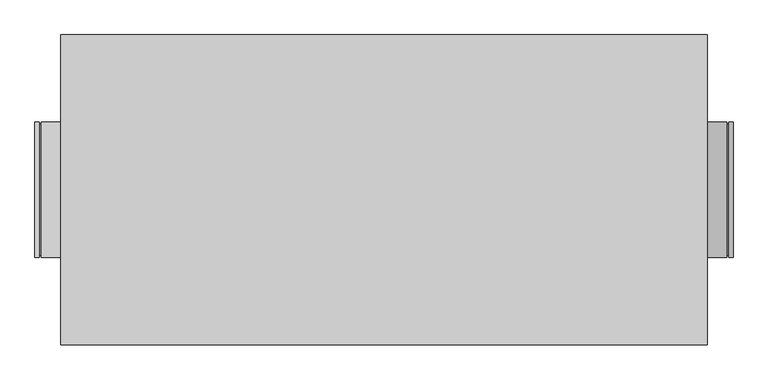
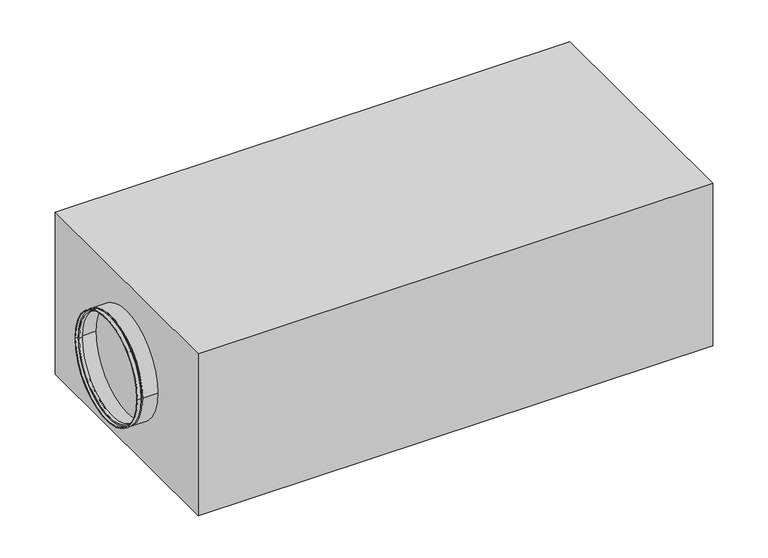
"""IFC4 building model written with IfcOpenShell, lengths in millimetres: proxy geometry."""

from ifc_helpers import new_model, si_unit, frame, origin, origin_with_axes, place, context, project, spatial, polyline, circle_curve, outline, extrude, source, transform, mapped, element, save
from ifc_brep_helpers import plane_surface, cylinder_surface, revolved_surface, advanced_brep


def mechanical_equipment_3687b585(model_context):
    return source(origin(), model_context, "Body", "SolidModel", [
        advanced_brep(
        [(-800.0, 157.5, 256.0), (-800.0, -157.5, 256.0), (-810.0, -157.5, 256.0), (-810.0, 157.5, 256.0), (-800.0, 152.5, 256.0), (-800.0, -152.5, 256.0), (-795.0, 152.5, 256.0), (-795.0, -152.5, 256.0), (-795.0, 157.5, 256.0), (-795.0, -157.5, 256.0), (-750.0, 157.5, 256.0), (-750.0, -157.5, 256.0), (-750.0, 155.5, 256.0), (-750.0, -155.5, 256.0), (-793.0, 155.5, 256.0), (-793.0, -155.5, 256.0), (-793.0, 150.5, 256.0), (-793.0, -150.5, 256.0), (-802.0, 150.5, 256.0), (-802.0, -150.5, 256.0), (-802.0, 155.5, 256.0), (-802.0, -155.5, 256.0), (-810.0, 155.5, 256.0), (-810.0, -155.5, 256.0)],
        [
            (0, 1, circle_curve(frame((-800.0, 0.0, 256.0), z_axis=(-1.0, 0.0, 0.0), x_axis=(0.0, -1.0000000000000009, 0.0)), 157.5)),
            (1, 2),
            (2, 3, circle_curve(frame((-810.0, 0.0, 256.0), z_axis=(1.0, 0.0, 0.0), x_axis=(0.0, -1.0000000000000009, 0.0)), 157.5)),
            (3, 0),
            (1, 0, circle_curve(frame((-800.0, 0.0, 256.0), z_axis=(-1.0, 0.0, 0.0), x_axis=(0.0, -1.0000000000000009, 0.0)), 157.5)),
            (3, 2, circle_curve(frame((-810.0, 0.0, 256.0), z_axis=(1.0, 0.0, 0.0), x_axis=(0.0, -1.0000000000000009, 0.0)), 157.5)),
            (4, 5, circle_curve(frame((-800.0, 0.0, 256.0), z_axis=(-1.0, 0.0, 0.0), x_axis=(0.0, -1.0000000000000009, 0.0)), 152.5)),
            (5, 1),
            (0, 4),
            (5, 4, circle_curve(frame((-800.0, 0.0, 256.0), z_axis=(-1.0, 0.0, 0.0), x_axis=(0.0, -1.0000000000000009, 0.0)), 152.5)),
            (6, 7, circle_curve(frame((-795.0, 0.0, 256.0), z_axis=(-1.0, 0.0, 0.0), x_axis=(0.0, -1.0000000000000009, 0.0)), 152.5)),
            (7, 5),
            (4, 6),
            (7, 6, circle_curve(frame((-795.0, 0.0, 256.0), z_axis=(-1.0, 0.0, 0.0), x_axis=(0.0, -1.0000000000000009, 0.0)), 152.5)),
            (8, 9, circle_curve(frame((-795.0, 0.0, 256.0), z_axis=(-1.0, 0.0, 0.0), x_axis=(0.0, -1.0000000000000009, 0.0)), 157.5)),
            (9, 7),
            (6, 8),
            (9, 8, circle_curve(frame((-795.0, 0.0, 256.0), z_axis=(-1.0, 0.0, 0.0), x_axis=(0.0, -1.0000000000000009, 0.0)), 157.5)),
            (10, 11, circle_curve(frame((-750.0, 0.0, 256.0), z_axis=(-1.0, 0.0, 0.0), x_axis=(0.0, -1.0000000000000009, 0.0)), 157.5)),
            (11, 9),
            (8, 10),
            (11, 10, circle_curve(frame((-750.0, 0.0, 256.0), z_axis=(-1.0, 0.0, 0.0), x_axis=(0.0, -1.0000000000000009, 0.0)), 157.5)),
            (12, 13, circle_curve(frame((-750.0, 0.0, 256.0), z_axis=(-1.0, 0.0, 0.0), x_axis=(0.0, -1.0000000000000009, 0.0)), 155.5)),
            (13, 11),
            (10, 12),
            (13, 12, circle_curve(frame((-750.0, 0.0, 256.0), z_axis=(-1.0, 0.0, 0.0), x_axis=(0.0, -1.0000000000000009, 0.0)), 155.5)),
            (14, 15, circle_curve(frame((-793.0, 0.0, 256.0), z_axis=(-1.0, 0.0, 0.0), x_axis=(0.0, -1.0000000000000009, 0.0)), 155.5)),
            (15, 13),
            (12, 14),
            (15, 14, circle_curve(frame((-793.0, 0.0, 256.0), z_axis=(-1.0, 0.0, 0.0), x_axis=(0.0, -1.0000000000000009, 0.0)), 155.5)),
            (16, 17, circle_curve(frame((-793.0, 0.0, 256.0), z_axis=(-1.0, 0.0, 0.0), x_axis=(0.0, -1.0000000000000009, 0.0)), 150.5)),
            (17, 15),
            (14, 16),
            (17, 16, circle_curve(frame((-793.0, 0.0, 256.0), z_axis=(-1.0, 0.0, 0.0), x_axis=(0.0, -1.0000000000000009, 0.0)), 150.5)),
            (18, 19, circle_curve(frame((-802.0, 0.0, 256.0), z_axis=(-1.0, 0.0, 0.0), x_axis=(0.0, -1.0000000000000009, 0.0)), 150.5)),
            (19, 17),
            (16, 18),
            (19, 18, circle_curve(frame((-802.0, 0.0, 256.0), z_axis=(-1.0, 0.0, 0.0), x_axis=(0.0, -1.0000000000000009, 0.0)), 150.5)),
            (20, 21, circle_curve(frame((-802.0, 0.0, 256.0), z_axis=(-1.0, 0.0, 0.0), x_axis=(0.0, -1.0000000000000009, 0.0)), 155.5)),
            (21, 19),
            (18, 20),
            (21, 20, circle_curve(frame((-802.0, 0.0, 256.0), z_axis=(-1.0, 0.0, 0.0), x_axis=(0.0, -1.0000000000000009, 0.0)), 155.5)),
            (22, 23, circle_curve(frame((-810.0, 0.0, 256.0), z_axis=(-1.0, 0.0, 0.0), x_axis=(0.0, -1.0000000000000009, 0.0)), 155.5)),
            (23, 21),
            (20, 22),
            (23, 22, circle_curve(frame((-810.0, 0.0, 256.0), z_axis=(-1.0, 0.0, 0.0), x_axis=(0.0, -1.0000000000000009, 0.0)), 155.5)),
            (2, 23),
            (22, 3),
        ],
        [
            cylinder_surface(frame((-2345.0440172, 0.0, 256.0), z_axis=(1.0000000000000004, 0.0, 0.0), x_axis=(0.0, -1.0000000000000009, 0.0)), 157.5),
            plane_surface(frame((-800.0, 0.0, 256.0), z_axis=(1.0, 0.0, 0.0), x_axis=(0.0, -1.0, 0.0))),
            cylinder_surface(frame((-2345.0440172, 0.0, 256.0), z_axis=(1.0000000000000004, 0.0, 0.0), x_axis=(0.0, -1.0000000000000009, 0.0)), 152.5),
            plane_surface(frame((-795.0, 0.0, 256.0), z_axis=(-1.0, 0.0, 0.0), x_axis=(0.0, -1.0, 0.0))),
            plane_surface(frame((-750.0, 0.0, 256.0), z_axis=(1.0, 0.0, 0.0), x_axis=(0.0, -1.0, 0.0))),
            revolved_surface(polyline([(-749.9999999999986, -155.50000000000014, 256.0), (-792.9999999999986, -155.50000000000014, 256.0)]), (-2345.0440172, 0.0, 256.0), (1.0000000000000004, 0.0, 0.0)),
            plane_surface(frame((-793.0, 0.0, 256.0), z_axis=(1.0, 0.0, 0.0), x_axis=(0.0, -1.0, 0.0))),
            revolved_surface(polyline([(-792.9999999999986, -150.50000000000014, 256.0), (-801.9999999999986, -150.50000000000014, 256.0)]), (-2345.0440172, 0.0, 256.0), (1.0000000000000004, 0.0, 0.0)),
            plane_surface(frame((-802.0, 0.0, 256.0), z_axis=(-1.0, 0.0, 0.0), x_axis=(0.0, -1.0, 0.0))),
            revolved_surface(polyline([(-801.9999999999986, -155.50000000000014, 256.0), (-809.9999999999986, -155.50000000000014, 256.0)]), (-2345.0440172, 0.0, 256.0), (1.0000000000000004, 0.0, 0.0)),
            plane_surface(frame((-810.0, 0.0, 256.0), z_axis=(-1.0, 0.0, 0.0), x_axis=(0.0, -1.0, 0.0))),
        ],
        [
            (0, [[1, 2, 3, 4]]),
            (0, [[5, -4, 6, -2]]),
            (1, [[7, 8, -1, 9]]),
            (1, [[10, -9, -5, -8]]),
            (2, [[11, 12, -7, 13]]),
            (2, [[14, -13, -10, -12]]),
            (3, [[15, 16, -11, 17]]),
            (3, [[18, -17, -14, -16]]),
            (0, [[19, 20, -15, 21]]),
            (0, [[22, -21, -18, -20]]),
            (4, [[23, 24, -19, 25]]),
            (4, [[26, -25, -22, -24]]),
            (5, [[27, 28, -23, 29]]),
            (5, [[30, -29, -26, -28]]),
            (6, [[31, 32, -27, 33]]),
            (6, [[34, -33, -30, -32]]),
            (7, [[35, 36, -31, 37]]),
            (7, [[38, -37, -34, -36]]),
            (8, [[39, 40, -35, 41]]),
            (8, [[42, -41, -38, -40]]),
            (9, [[43, 44, -39, 45]]),
            (9, [[46, -45, -42, -44]]),
            (10, [[-3, 47, -43, 48]]),
            (10, [[-6, -48, -46, -47]]),
        ],
    ),
        advanced_brep(
        [(800.0, -157.5, 256.0), (800.0, 157.5, 256.0), (810.0, 157.5, 256.0), (810.0, -157.5, 256.0), (800.0, -152.5, 256.0), (800.0, 152.5, 256.0), (795.0, -152.5, 256.0), (795.0, 152.5, 256.0), (795.0, -157.5, 256.0), (795.0, 157.5, 256.0), (750.0, -157.5, 256.0), (750.0, 157.5, 256.0), (750.0, -155.5, 256.0), (750.0, 155.5, 256.0), (793.0, -155.5, 256.0), (793.0, 155.5, 256.0), (793.0, -150.5, 256.0), (793.0, 150.5, 256.0), (802.0, -150.5, 256.0), (802.0, 150.5, 256.0), (802.0, -155.5, 256.0), (802.0, 155.5, 256.0), (810.0, -155.5, 256.0), (810.0, 155.5, 256.0)],
        [
            (0, 1, circle_curve(frame((800.0, 0.0, 256.0), z_axis=(1.0, 0.0, 0.0), x_axis=(0.0, 1.0, 0.0)), 157.5)),
            (1, 2),
            (2, 3, circle_curve(frame((810.0, 0.0, 256.0), z_axis=(-1.0, 0.0, 0.0), x_axis=(0.0, 1.0, 0.0)), 157.5)),
            (3, 0),
            (1, 0, circle_curve(frame((800.0, 0.0, 256.0), z_axis=(1.0, 0.0, 0.0), x_axis=(0.0, 1.0, 0.0)), 157.5)),
            (3, 2, circle_curve(frame((810.0, 0.0, 256.0), z_axis=(-1.0, 0.0, 0.0), x_axis=(0.0, 1.0, 0.0)), 157.5)),
            (4, 5, circle_curve(frame((800.0, 0.0, 256.0), z_axis=(1.0, 0.0, 0.0), x_axis=(0.0, 1.0, 0.0)), 152.5)),
            (5, 1),
            (0, 4),
            (5, 4, circle_curve(frame((800.0, 0.0, 256.0), z_axis=(1.0, 0.0, 0.0), x_axis=(0.0, 1.0, 0.0)), 152.5)),
            (6, 7, circle_curve(frame((795.0, 0.0, 256.0), z_axis=(1.0, 0.0, 0.0), x_axis=(0.0, 1.0, 0.0)), 152.5)),
            (7, 5),
            (4, 6),
            (7, 6, circle_curve(frame((795.0, 0.0, 256.0), z_axis=(1.0, 0.0, 0.0), x_axis=(0.0, 1.0, 0.0)), 152.5)),
            (8, 9, circle_curve(frame((795.0, 0.0, 256.0), z_axis=(1.0, 0.0, 0.0), x_axis=(0.0, 1.0, 0.0)), 157.5)),
            (9, 7),
            (6, 8),
            (9, 8, circle_curve(frame((795.0, 0.0, 256.0), z_axis=(1.0, 0.0, 0.0), x_axis=(0.0, 1.0, 0.0)), 157.5)),
            (10, 11, circle_curve(frame((750.0, 0.0, 256.0), z_axis=(1.0, 0.0, 0.0), x_axis=(0.0, 1.0, 0.0)), 157.5)),
            (11, 9),
            (8, 10),
            (11, 10, circle_curve(frame((750.0, 0.0, 256.0), z_axis=(1.0, 0.0, 0.0), x_axis=(0.0, 1.0, 0.0)), 157.5)),
            (12, 13, circle_curve(frame((750.0, 0.0, 256.0), z_axis=(1.0, 0.0, 0.0), x_axis=(0.0, 1.0, 0.0)), 155.5)),
            (13, 11),
            (10, 12),
            (13, 12, circle_curve(frame((750.0, 0.0, 256.0), z_axis=(1.0, 0.0, 0.0), x_axis=(0.0, 1.0, 0.0)), 155.5)),
            (14, 15, circle_curve(frame((793.0, 0.0, 256.0), z_axis=(1.0, 0.0, 0.0), x_axis=(0.0, 1.0, 0.0)), 155.5)),
            (15, 13),
            (12, 14),
            (15, 14, circle_curve(frame((793.0, 0.0, 256.0), z_axis=(1.0, 0.0, 0.0), x_axis=(0.0, 1.0, 0.0)), 155.5)),
            (16, 17, circle_curve(frame((793.0, 0.0, 256.0), z_axis=(1.0, 0.0, 0.0), x_axis=(0.0, 1.0, 0.0)), 150.5)),
            (17, 15),
            (14, 16),
            (17, 16, circle_curve(frame((793.0, 0.0, 256.0), z_axis=(1.0, 0.0, 0.0), x_axis=(0.0, 1.0, 0.0)), 150.5)),
            (18, 19, circle_curve(frame((802.0, 0.0, 256.0), z_axis=(1.0, 0.0, 0.0), x_axis=(0.0, 1.0, 0.0)), 150.5)),
            (19, 17),
            (16, 18),
            (19, 18, circle_curve(frame((802.0, 0.0, 256.0), z_axis=(1.0, 0.0, 0.0), x_axis=(0.0, 1.0, 0.0)), 150.5)),
            (20, 21, circle_curve(frame((802.0, 0.0, 256.0), z_axis=(1.0, 0.0, 0.0), x_axis=(0.0, 1.0, 0.0)), 155.5)),
            (21, 19),
            (18, 20),
            (21, 20, circle_curve(frame((802.0, 0.0, 256.0), z_axis=(1.0, 0.0, 0.0), x_axis=(0.0, 1.0, 0.0)), 155.5)),
            (22, 23, circle_curve(frame((810.0, 0.0, 256.0), z_axis=(1.0, 0.0, 0.0), x_axis=(0.0, 1.0, 0.0)), 155.5)),
            (23, 21),
            (20, 22),
            (23, 22, circle_curve(frame((810.0, 0.0, 256.0), z_axis=(1.0, 0.0, 0.0), x_axis=(0.0, 1.0, 0.0)), 155.5)),
            (2, 23),
            (22, 3),
        ],
        [
            cylinder_surface(frame((2345.0440172, 0.0, 256.0), z_axis=(-1.0, 0.0, 0.0), x_axis=(0.0, 1.0, 0.0)), 157.5),
            plane_surface(frame((800.0, 0.0, 256.0), z_axis=(-1.0, 0.0, 0.0), x_axis=(0.0, 1.0, 0.0))),
            cylinder_surface(frame((2345.0440172, 0.0, 256.0), z_axis=(-1.0, 0.0, 0.0), x_axis=(0.0, 1.0, 0.0)), 152.5),
            plane_surface(frame((795.0, 0.0, 256.0), z_axis=(1.0, 0.0, 0.0), x_axis=(0.0, 1.0, 0.0))),
            plane_surface(frame((750.0, 0.0, 256.0), z_axis=(-1.0, 0.0, 0.0), x_axis=(0.0, 1.0, 0.0))),
            revolved_surface(polyline([(750.0, 155.5, 256.0), (793.0, 155.5, 256.0)]), (2345.0440172, 0.0, 256.0), (-1.0, 0.0, 0.0)),
            plane_surface(frame((793.0, 0.0, 256.0), z_axis=(-1.0, 0.0, 0.0), x_axis=(0.0, 1.0, 0.0))),
            revolved_surface(polyline([(793.0, 150.5, 256.0), (802.0, 150.5, 256.0)]), (2345.0440172, 0.0, 256.0), (-1.0, 0.0, 0.0)),
            plane_surface(frame((802.0, 0.0, 256.0), z_axis=(1.0, 0.0, 0.0), x_axis=(0.0, 1.0, 0.0))),
            revolved_surface(polyline([(802.0, 155.5, 256.0), (810.0, 155.5, 256.0)]), (2345.0440172, 0.0, 256.0), (-1.0, 0.0, 0.0)),
            plane_surface(frame((810.0, 0.0, 256.0), z_axis=(1.0, 0.0, 0.0), x_axis=(0.0, 1.0, 0.0))),
        ],
        [
            (0, [[1, 2, 3, 4]]),
            (0, [[5, -4, 6, -2]]),
            (1, [[7, 8, -1, 9]]),
            (1, [[10, -9, -5, -8]]),
            (2, [[11, 12, -7, 13]]),
            (2, [[14, -13, -10, -12]]),
            (3, [[15, 16, -11, 17]]),
            (3, [[18, -17, -14, -16]]),
            (0, [[19, 20, -15, 21]]),
            (0, [[22, -21, -18, -20]]),
            (4, [[23, 24, -19, 25]]),
            (4, [[26, -25, -22, -24]]),
            (5, [[27, 28, -23, 29]]),
            (5, [[30, -29, -26, -28]]),
            (6, [[31, 32, -27, 33]]),
            (6, [[34, -33, -30, -32]]),
            (7, [[35, 36, -31, 37]]),
            (7, [[38, -37, -34, -36]]),
            (8, [[39, 40, -35, 41]]),
            (8, [[42, -41, -38, -40]]),
            (9, [[43, 44, -39, 45]]),
            (9, [[46, -45, -42, -44]]),
            (10, [[-3, 47, -43, 48]]),
            (10, [[-6, -48, -46, -47]]),
        ],
    ),
        extrude(outline(polyline([(-750.0, -360.0), (-750.0, 360.0), (750.0, 360.0), (750.0, -360.0), (-750.0, -360.0)])), origin_with_axes(), (0.0, 0.0, 1.0), 500.0),
    ])


if __name__ == "__main__":
    model = new_model("IFC4")
    model_context = context("Model", 3, world=origin())
    ifc_project = project(units=[si_unit("LENGTHUNIT", "METRE", prefix="MILLI")], contexts=[model_context])
    site = spatial("IfcSite", under=ifc_project)
    building = spatial("IfcBuilding", under=site)
    placement = place(None, origin())
    mechanical_equipment_shape = mechanical_equipment_3687b585(model_context)
    element("IfcBuildingElementProxy", 1, Name="Mechanical Equipment", at=placement, inside=building, context=model_context, shape_type="MappedRepresentation", body=[
        mapped(mechanical_equipment_shape, transform((0.0, 0.0, 0.0), x_axis=(1.0, 0.0, 0.0), y_axis=(0.0, 1.0, 0.0), z_axis=(0.0, 0.0, 1.0))),
    ])
    save(model, "model.ifc")
